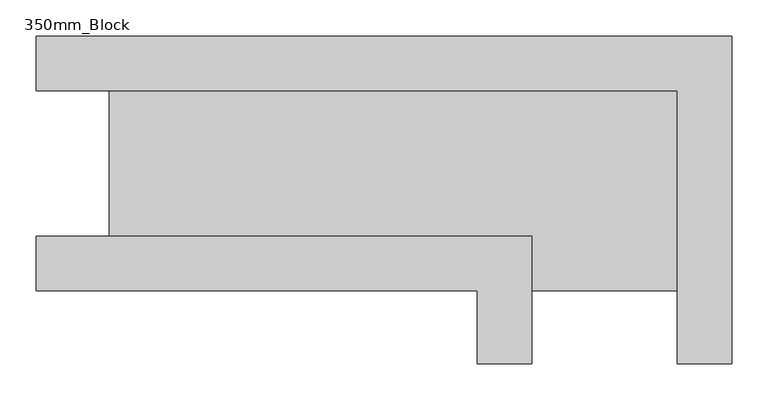
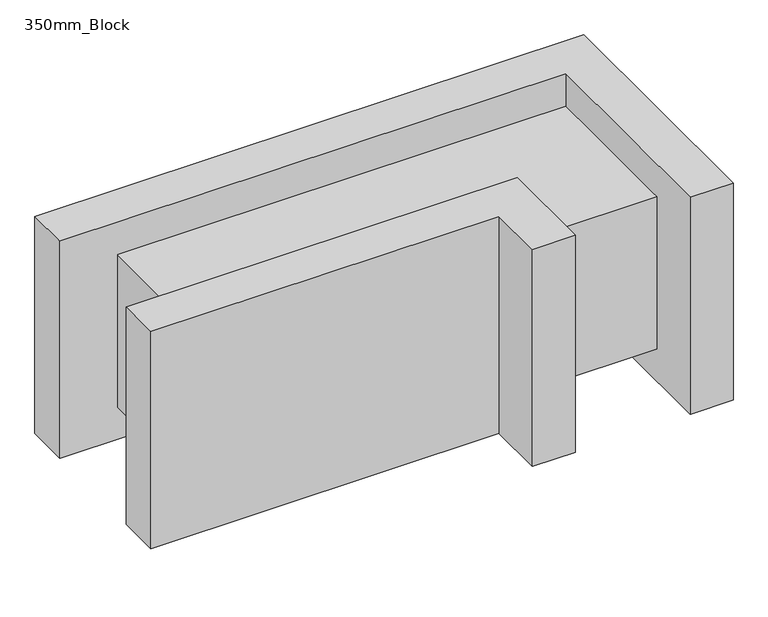
"""IFC4 building model written with IfcOpenShell, lengths in millimetres: plate geometry, 350mm_Block."""

from ifc_helpers import new_model, si_unit, frame, origin, origin_with_axes, place, context, project, spatial, polyline, outline, extrude, source, transform, mapped, element, save


def plate_350mm_block_0788c1ef(model_context):
    return source(origin(), model_context, "Body", "SweptSolid", [
        extrude(outline(polyline([(303.125, -175.0), (-303.125, -175.0), (-303.125, -100.0), (378.125, -100.0), (378.125, -275.0), (303.125, -275.0), (303.125, -175.0)])), origin_with_axes(), (0.0, 0.0, 1.0), 400.0),
        extrude(outline(polyline([(578.125, 100.0), (-303.125, 100.0), (-303.125, 175.0), (653.125, 175.0), (653.125, -275.0), (578.125, -275.0), (578.125, 100.0)])), origin_with_axes(), (0.0, 0.0, 1.0), 400.0),
        extrude(outline(polyline([(378.125, -100.0), (-203.125, -100.0), (-203.125, 100.0), (578.125, 100.0), (578.125, -175.0), (378.125, -175.0), (378.125, -100.0)])), frame((0.0, 0.0, 59.45), z_axis=(0.0, 0.0, 1.0), x_axis=(1.0, 0.0, 0.0)), (0.0, 0.0, 1.0), 281.1),
    ])


if __name__ == "__main__":
    model = new_model("IFC4")
    model_context = context("Model", 3, world=origin())
    ifc_project = project(units=[si_unit("LENGTHUNIT", "METRE", prefix="MILLI")], contexts=[model_context])
    site = spatial("IfcSite", under=ifc_project)
    building = spatial("IfcBuilding", under=site)
    placement = place(None, origin())
    plate_350mm_block_shape = plate_350mm_block_0788c1ef(model_context)
    element("IfcPlate", 1, ObjectType="350mm_Block", at=placement, inside=building, context=model_context, shape_type="MappedRepresentation", body=[
        mapped(plate_350mm_block_shape, transform((0.0, 0.0, 0.0), x_axis=(1.0, 0.0, 0.0), y_axis=(0.0, 1.0, 0.0), z_axis=(0.0, 0.0, 1.0))),
    ])
    save(model, "model.ifc")
